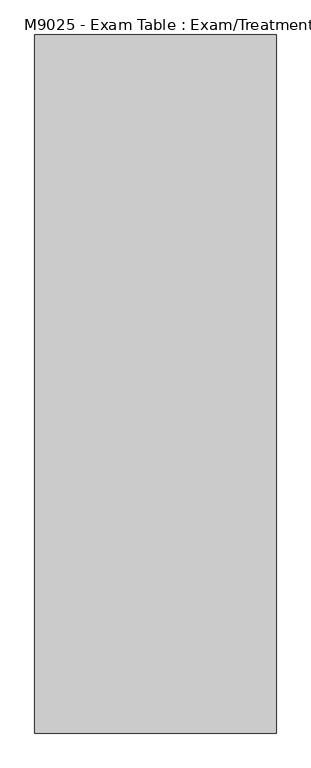
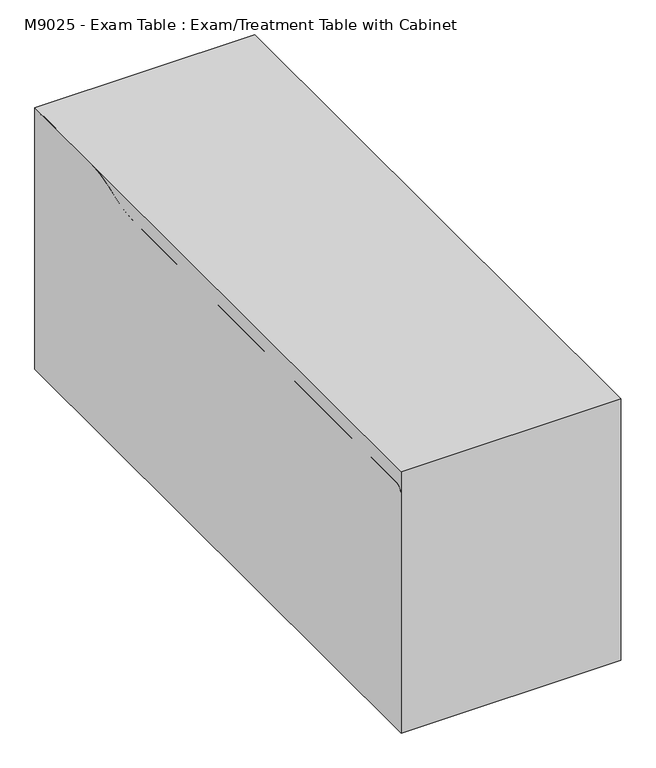
"""IFC4 building model written with IfcOpenShell, lengths in millimetres: proxy geometry, M9025 - Exam Table : Exam/Treatment Table with Cabinet."""

from ifc_helpers import new_model, si_unit, point, frame, frame_2d, origin, origin_with_axes, place, context, project, spatial, polyline, circle_curve, trimmed, segment, composite_curve, outline, extrude, source, transform, mapped, element, save


def m9025_exam_table_exam_treatment_table_with_cabinet_d9e28004(model_context):
    return source(origin(), model_context, "Body", "SweptSolid", [
        extrude(outline(polyline([(342.9, 990.6), (342.9, -990.6), (-342.9, -990.6), (-342.9, 990.6), (342.9, 990.6)])), origin_with_axes(), (0.0, 0.0, 1.0), 863.6),
        extrude(outline(composite_curve([segment(polyline([(990.6, 685.8), (-990.6, 685.8), (-990.6, 787.4)]), True, "CONTINUOUS"), segment(trimmed(circle_curve(frame_2d((-965.2, 787.4)), 25.4), [point((-990.6, 787.4))], [point((-965.2, 812.8))], False, "CARTESIAN"), True, "CONTINUOUS"), segment(polyline([(-965.2, 812.8), (458.540398, 812.8)]), True, "CONTINUOUS"), segment(trimmed(circle_curve(frame_2d((458.540398, 1069.6230592)), 256.8230592), [point((458.540398, 812.8))], [point((553.9220876, 831.1688351))], True, "CARTESIAN"), True, "CONTINUOUS"), segment(polyline([(553.9220876, 831.1688351), (588.4472662, 844.9789065)]), True, "CONTINUOUS"), segment(trimmed(circle_curve(frame_2d((685.1388288, 603.25)), 260.35), [point((588.4472662, 844.9789065))], [point((685.1388288, 863.6))], False, "CARTESIAN"), True, "CONTINUOUS"), segment(polyline([(685.1388288, 863.6), (939.8, 863.6)]), True, "CONTINUOUS"), segment(trimmed(circle_curve(frame_2d((939.8, 812.8)), 50.8), [point((939.8, 863.6))], [point((990.6, 812.8))], False, "CARTESIAN"), True, "CONTINUOUS"), segment(polyline([(990.6, 812.8), (990.6, 685.8)]), True, "CONTINUOUS")], self_intersect=False)), frame((-342.9, 0.0, 0.0), z_axis=(1.0, 0.0, 0.0), x_axis=(0.0, 1.0, 0.0)), (0.0, 0.0, 1.0), 685.8),
        extrude(outline(polyline([(292.1, 685.8), (292.1, -685.8), (-292.1, -685.8), (-292.1, 685.8), (292.1, 685.8)])), origin_with_axes(), (0.0, 0.0, 1.0), 685.8),
        extrude(outline(polyline([(-292.1, -171.45), (-292.1, -679.45), (-304.8, -679.45), (-304.8, -171.45), (-292.1, -171.45)])), frame((0.0, 0.0, 527.05), z_axis=(0.0, 0.0, 1.0), x_axis=(1.0, 0.0, 0.0)), (0.0, 0.0, 1.0), 152.4),
        extrude(outline(polyline([(-292.1, -171.45), (-292.1, -679.45), (-304.8, -679.45), (-304.8, -171.45), (-292.1, -171.45)])), frame((0.0, 0.0, 317.5), z_axis=(0.0, 0.0, 1.0), x_axis=(1.0, 0.0, 0.0)), (0.0, 0.0, 1.0), 203.2),
        extrude(outline(polyline([(-292.1, -171.45), (-292.1, -679.45), (-304.8, -679.45), (-304.8, -171.45), (-292.1, -171.45)])), frame((0.0, 0.0, 107.95), z_axis=(0.0, 0.0, 1.0), x_axis=(1.0, 0.0, 0.0)), (0.0, 0.0, 1.0), 203.2),
        extrude(outline(polyline([(-292.1, 679.45), (-292.1, 171.45), (-304.8, 171.45), (-304.8, 679.45), (-292.1, 679.45)])), frame((0.0, 0.0, 527.05), z_axis=(0.0, 0.0, 1.0), x_axis=(1.0, 0.0, 0.0)), (0.0, 0.0, 1.0), 152.4),
        extrude(outline(polyline([(-292.1, 679.45), (-292.1, 171.45), (-304.8, 171.45), (-304.8, 679.45), (-292.1, 679.45)])), frame((0.0, 0.0, 317.5), z_axis=(0.0, 0.0, 1.0), x_axis=(1.0, 0.0, 0.0)), (0.0, 0.0, 1.0), 203.2),
        extrude(outline(polyline([(-292.1, 679.45), (-292.1, 171.45), (-304.8, 171.45), (-304.8, 679.45), (-292.1, 679.45)])), frame((0.0, 0.0, 107.95), z_axis=(0.0, 0.0, 1.0), x_axis=(1.0, 0.0, 0.0)), (0.0, 0.0, 1.0), 203.2),
        extrude(outline(polyline([(-292.1, -171.45), (-292.1, -679.45), (-304.8, -679.45), (-304.8, -171.45), (-292.1, -171.45)])), origin_with_axes(), (0.0, 0.0, 1.0), 101.6),
        extrude(outline(polyline([(292.1, -685.8), (292.1, -711.2), (266.7, -711.2), (266.7, -685.8), (292.1, -685.8)])), origin_with_axes(), (0.0, 0.0, 1.0), 685.8),
        extrude(outline(polyline([(-292.1, -685.8), (-266.7, -685.8), (-266.7, -711.2), (-292.1, -711.2), (-292.1, -685.8)])), origin_with_axes(), (0.0, 0.0, 1.0), 685.8),
        extrude(outline(polyline([(292.1, 685.8), (266.7, 685.8), (266.7, 711.2), (292.1, 711.2), (292.1, 685.8)])), origin_with_axes(), (0.0, 0.0, 1.0), 685.8),
        extrude(outline(polyline([(-292.1, 685.8), (-292.1, 711.2), (-266.7, 711.2), (-266.7, 685.8), (-292.1, 685.8)])), origin_with_axes(), (0.0, 0.0, 1.0), 685.8),
        extrude(outline(polyline([(304.8, -711.2), (304.8, -736.6), (-304.8, -736.6), (-304.8, -711.2), (304.8, -711.2)])), frame((0.0, 0.0, 406.4), z_axis=(0.0, 0.0, 1.0), x_axis=(1.0, 0.0, 0.0)), (0.0, 0.0, 1.0), 25.4),
        extrude(outline(polyline([(304.8, 736.2655691), (304.8, 711.2), (-304.8, 711.2), (-304.8, 736.2655691), (304.8, 736.2655691)])), frame((0.0, 0.0, 406.4), z_axis=(0.0, 0.0, 1.0), x_axis=(1.0, 0.0, 0.0)), (0.0, 0.0, 1.0), 25.4),
    ])


if __name__ == "__main__":
    model = new_model("IFC4")
    model_context = context("Model", 3, world=origin())
    ifc_project = project(units=[si_unit("LENGTHUNIT", "METRE", prefix="MILLI")], contexts=[model_context])
    site = spatial("IfcSite", under=ifc_project)
    building = spatial("IfcBuilding", under=site)
    placement = place(None, origin())
    m9025_exam_table_exam_treatment_table_with_cabinet_shape = m9025_exam_table_exam_treatment_table_with_cabinet_d9e28004(model_context)
    element("IfcBuildingElementProxy", 1, Name="M9025 - Exam Table : Exam/Treatment Table with Cabinet", ObjectType="M9025 - Exam Table : Exam/Treatment Table with Cabinet", at=placement, inside=building, context=model_context, shape_type="MappedRepresentation", body=[
        mapped(m9025_exam_table_exam_treatment_table_with_cabinet_shape, transform((0.0, 0.0, 0.0), x_axis=(1.0, 0.0, 0.0), y_axis=(0.0, 1.0, 0.0), z_axis=(0.0, 0.0, 1.0))),
    ])
    save(model, "model.ifc")
